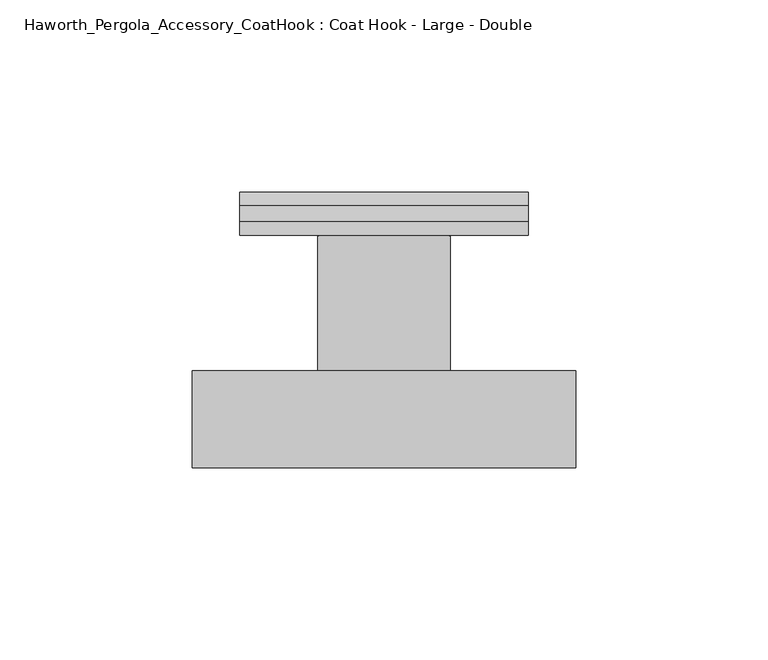
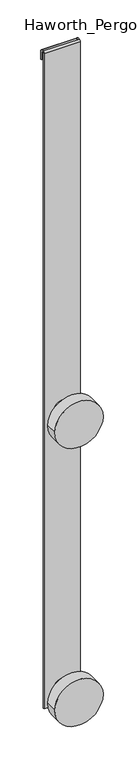
"""IFC4 building model written with IfcOpenShell, lengths in millimetres: furniture geometry, Haworth_Pergola_Accessory_CoatHook : Coat Hook - Large - Double."""

from ifc_helpers import new_model, si_unit, point, frame, frame_2d, origin, place, context, project, spatial, polyline, circle_curve, trimmed, segment, composite_curve, outline, extrude, source, transform, mapped, element, save


def haworth_pergola_accessory_coathook_coat_hook_large_double_62947a78(model_context):
    return source(origin(), model_context, "Body", "SweptSolid", [
        extrude(outline(composite_curve([segment(trimmed(circle_curve(frame_2d((1038.9669852, 0.0)), 49.999855), [point((1038.9669852, -49.999855))], [point((1038.9669852, 49.999855))], False, "CARTESIAN"), True, "CONTINUOUS"), segment(trimmed(circle_curve(frame_2d((1038.9669852, 0.0)), 49.999855), [point((1038.9669852, 49.999855))], [point((1038.9669852, -49.999855))], False, "CARTESIAN"), True, "CONTINUOUS")], self_intersect=False)), frame((0.0, -71.5864649, 0.0), z_axis=(0.0, 1.0, 0.0), x_axis=(0.0, 0.0, 1.0)), (0.0, 0.0, 1.0), 25.1955557),
        extrude(outline(composite_curve([segment(trimmed(circle_curve(frame_2d((1038.9669852, 0.0)), 17.2501099), [point((1038.9669852, -17.2501099))], [point((1038.9669852, 17.2501099))], False, "CARTESIAN"), True, "CONTINUOUS"), segment(trimmed(circle_curve(frame_2d((1038.9669852, 0.0)), 17.2501099), [point((1038.9669852, 17.2501099))], [point((1038.9669852, -17.2501099))], False, "CARTESIAN"), True, "CONTINUOUS")], self_intersect=False)), frame((0.0, -46.3909092, 0.0), z_axis=(0.0, 1.0, 0.0), x_axis=(0.0, 0.0, 1.0)), (0.0, 0.0, 1.0), 35.1022214),
        extrude(outline(composite_curve([segment(trimmed(circle_curve(frame_2d((1648.5669852, 0.0)), 49.999855), [point((1648.5669852, -49.999855))], [point((1648.5669852, 49.999855))], False, "CARTESIAN"), True, "CONTINUOUS"), segment(trimmed(circle_curve(frame_2d((1648.5669852, 0.0)), 49.999855), [point((1648.5669852, 49.999855))], [point((1648.5669852, -49.999855))], False, "CARTESIAN"), True, "CONTINUOUS")], self_intersect=False)), frame((0.0, -71.5864649, 0.0), z_axis=(0.0, 1.0, 0.0), x_axis=(0.0, 0.0, 1.0)), (0.0, 0.0, 1.0), 25.1955557),
        extrude(outline(composite_curve([segment(trimmed(circle_curve(frame_2d((1648.5669852, 0.0)), 17.2501099), [point((1648.5669852, -17.2501099))], [point((1648.5669852, 17.2501099))], False, "CARTESIAN"), True, "CONTINUOUS"), segment(trimmed(circle_curve(frame_2d((1648.5669852, 0.0)), 17.2501099), [point((1648.5669852, 17.2501099))], [point((1648.5669852, -17.2501099))], False, "CARTESIAN"), True, "CONTINUOUS")], self_intersect=False)), frame((0.0, -46.3909092, 0.0), z_axis=(0.0, 1.0, 0.0), x_axis=(0.0, 0.0, 1.0)), (0.0, 0.0, 1.0), 35.1022214),
        extrude(outline(composite_curve([segment(trimmed(circle_curve(frame_2d((-7.6286878, 2438.4000001)), 3.66), [point((-11.2886878, 2438.4000001))], [point((-7.6286878, 2442.0600001))], False, "CARTESIAN"), True, "CONTINUOUS"), segment(polyline([(-7.6286878, 2442.0600001), (-3.5352885, 2442.0600001)]), True, "CONTINUOUS"), segment(trimmed(circle_curve(frame_2d((-3.6299109, 2438.4)), 3.661223), [point((-3.5352885, 2442.0600001))], [point((0.0313121, 2438.4))], False, "CARTESIAN"), True, "CONTINUOUS"), segment(polyline([(0.0313121, 2438.4), (0.0313121, 2419.61), (-2.6286879, 2419.61), (-2.6286879, 2438.4)]), True, "CONTINUOUS"), segment(trimmed(circle_curve(frame_2d((-3.6286879, 2438.4)), 1.0), [point((-2.6286879, 2438.4))], [point((-3.6286879, 2439.4))], True, "CARTESIAN"), True, "CONTINUOUS"), segment(polyline([(-3.6286879, 2439.4), (-7.6286878, 2439.4)]), True, "CONTINUOUS"), segment(trimmed(circle_curve(frame_2d((-7.6286878, 2438.4)), 1.0), [point((-7.6286878, 2439.4))], [point((-8.6286879, 2438.4))], True, "CARTESIAN"), True, "CONTINUOUS"), segment(polyline([(-8.6286879, 2438.4), (-8.6286879, 1001.707251), (-11.2886878, 1001.707251), (-11.2886878, 2438.4000001)]), True, "CONTINUOUS")], self_intersect=False)), frame((-37.5000366, 0.0, 0.0), z_axis=(1.0, 0.0, 0.0), x_axis=(0.0, 1.0, 0.0)), (0.0, 0.0, 1.0), 75.0000732),
    ])


if __name__ == "__main__":
    model = new_model("IFC4")
    model_context = context("Model", 3, world=origin())
    ifc_project = project(units=[si_unit("LENGTHUNIT", "METRE", prefix="MILLI")], contexts=[model_context])
    site = spatial("IfcSite", under=ifc_project)
    building = spatial("IfcBuilding", under=site)
    placement = place(None, origin())
    haworth_pergola_accessory_coathook_coat_hook_large_double_shape = haworth_pergola_accessory_coathook_coat_hook_large_double_62947a78(model_context)
    element("IfcFurniture", 1, ObjectType="Haworth_Pergola_Accessory_CoatHook : Coat Hook - Large - Double", at=placement, inside=building, context=model_context, shape_type="MappedRepresentation", body=[
        mapped(haworth_pergola_accessory_coathook_coat_hook_large_double_shape, transform((0.0, 0.0, 0.0), x_axis=(1.0, 0.0, 0.0), y_axis=(0.0, 1.0, 0.0), z_axis=(0.0, 0.0, 1.0))),
    ])
    save(model, "model.ifc")
